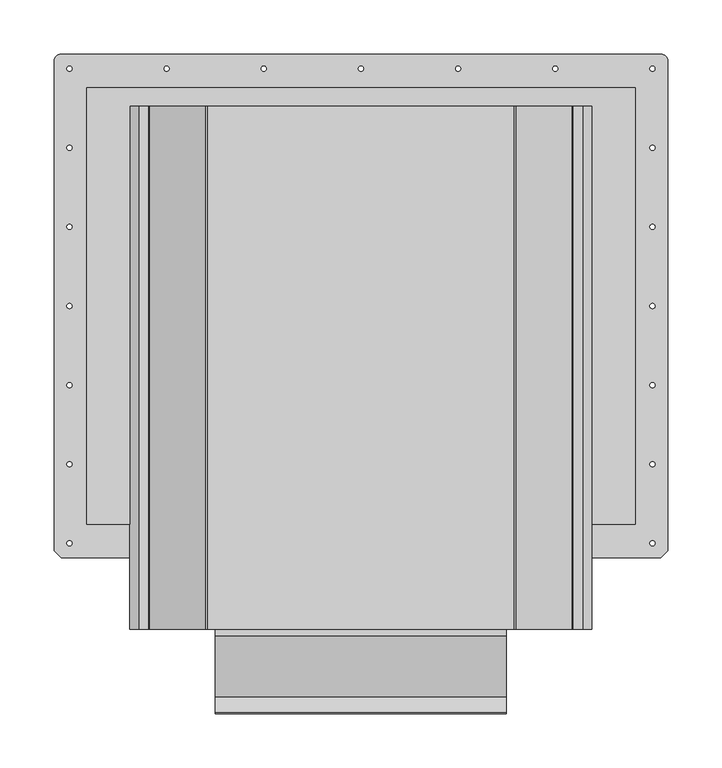
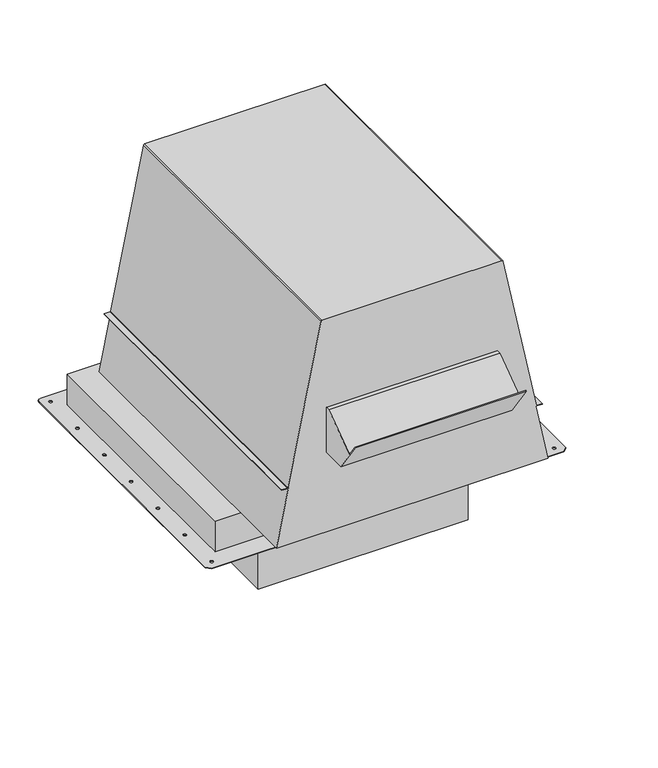
"""IFC4 building model written with IfcOpenShell, lengths in millimetres: proxy geometry."""

from ifc_helpers import new_model, si_unit, point, frame, frame_2d, origin, origin_with_axes, place, context, project, spatial, polyline, circle_curve, trimmed, segment, composite_curve, outline, extrude, source, transform, mapped, element, save
from ifc_brep_helpers import plane_surface, cylinder_surface, revolved_surface, advanced_brep


def generic_models_e109ea89(model_context):
    return source(origin(), model_context, "Body", "SolidModel", [
        extrude(outline(composite_curve([segment(trimmed(circle_curve(frame_2d((0.0, -3.7938939)), 63.5), [point((-63.5, -3.7938939))], [point((63.5, -3.7938939))], False, "CARTESIAN"), True, "CONTINUOUS"), segment(trimmed(circle_curve(frame_2d((0.0, -3.7938939)), 63.5), [point((63.5, -3.7938939))], [point((-63.5, -3.7938939))], False, "CARTESIAN"), True, "CONTINUOUS")], self_intersect=False)), frame((0.0, 0.0, -180.07965), z_axis=(0.0, 0.0, 1.0), x_axis=(1.0, 0.0, 0.0)), (0.0, 0.0, 1.0), 25.3635),
        extrude(outline(composite_curve([segment(trimmed(circle_curve(frame_2d((0.0, -3.7938939)), 101.6), [point((-101.6, -3.7938939))], [point((101.6, -3.7938939))], False, "CARTESIAN"), True, "CONTINUOUS"), segment(trimmed(circle_curve(frame_2d((0.0, -3.7938939)), 101.6), [point((101.6, -3.7938939))], [point((-101.6, -3.7938939))], False, "CARTESIAN"), True, "CONTINUOUS")], self_intersect=False)), frame((0.0, 0.0, -154.71615), z_axis=(0.0, 0.0, 1.0), x_axis=(1.0, 0.0, 0.0)), (0.0, 0.0, 1.0), 40.41615),
        extrude(outline(polyline([(-342.1695677, 183.060975), (-380.9576804, 238.4561408), (-380.2086477, 238.9806191), (-365.6935125, 218.2508576), (-309.2289427, 257.787775), (-302.7471802, 257.787775), (-302.7471802, 183.060975), (-342.1695677, 183.060975)])), frame((-134.2644, 0.0, 0.0), z_axis=(1.0, 0.0, 0.0), x_axis=(0.0, 1.0, 0.0)), (0.0, 0.0, 1.0), 268.5288),
        extrude(outline(polyline([(165.1, -169.5289427), (-165.1, -169.5289427), (-165.1, 160.6710573), (165.1, 160.6710573), (165.1, -169.5289427)])), frame((0.0, 0.0, -114.3), z_axis=(0.0, 0.0, 1.0), x_axis=(1.0, 0.0, 0.0)), (0.0, 0.0, 1.0), 114.3),
        advanced_brep(
        [(213.1852833, -302.7471802, 51.816), (194.4518487, -302.7471802, 144.6310791), (198.4375114, -302.7471802, 144.6310791), (204.7875114, -302.7471802, 144.6310791), (204.7875114, -302.7471802, 145.5454791), (195.906864, -302.7471802, 145.5454791), (195.1350285, -302.7471802, 146.1770948), (143.1632514, -302.7471802, 403.6720341), (141.4950908, -302.7471802, 405.0371391), (-141.495068, -302.7471802, 405.0371391), (-143.1632286, -302.7471802, 403.6720341), (-195.1350057, -302.7471802, 146.1770948), (-195.9068412, -302.7471802, 145.5454791), (-204.7874886, -302.7471802, 145.5454791), (-204.7874886, -302.7471802, 144.6310791), (-195.9068412, -302.7471802, 144.6310791), (-194.2386807, -302.7471802, 145.996184), (-213.1852605, -302.7471802, 51.816), (213.1852833, 179.7194698, 51.816), (-213.1852605, 179.7194698, 51.816), (-194.1787403, 179.7194698, 145.9840859), (-195.9068412, 179.7194698, 144.6310791), (-204.7874886, 179.7194698, 144.6310791), (-204.7874886, 179.7194698, 145.5454791), (-195.9068412, 179.7194698, 145.5454791), (-195.1350057, 179.7194698, 146.1770948), (-143.1632286, 179.7194698, 403.6720341), (-141.495068, 179.7194698, 405.0371391), (141.4950908, 179.7194698, 405.0371391), (143.1632514, 179.7194698, 403.6720341), (195.1350285, 179.7194698, 146.1770948), (195.906864, 179.7194698, 145.5454791), (204.7875114, 179.7194698, 145.5454791), (204.7875114, 179.7194698, 144.6310791), (198.4375114, 179.7194698, 144.6310791), (194.4518487, 179.7194698, 144.6310791)],
        [
            (0, 1),
            (1, 2),
            (2, 3),
            (3, 4),
            (4, 5),
            (5, 6, circle_curve(frame((195.906864, -302.7471802, 146.3328791), z_axis=(0.0, 1.0, 0.0), x_axis=(0.0, 0.0, -1.0)), 0.7874)),
            (6, 7),
            (7, 8, circle_curve(frame((141.4950908, -302.7471802, 403.3353391), z_axis=(0.0, -1.0, 0.0), x_axis=(0.0, 0.0, -1.0)), 1.7018)),
            (8, 9),
            (9, 10, circle_curve(frame((-141.495068, -302.7471802, 403.3353391), z_axis=(0.0, -1.0, 0.0), x_axis=(0.0, 0.0, -1.0)), 1.7018)),
            (10, 11),
            (11, 12, circle_curve(frame((-195.9068412, -302.7471802, 146.3328791), z_axis=(0.0, 1.0, 0.0), x_axis=(0.0, 0.0, -1.0)), 0.7874)),
            (12, 13),
            (13, 14),
            (14, 15),
            (15, 16, circle_curve(frame((-195.9068412, -302.7471802, 146.3328791), z_axis=(0.0, -1.0, 0.0), x_axis=(0.0, 0.0, -1.0)), 1.7018)),
            (16, 17),
            (17, 0),
            (18, 19),
            (19, 20),
            (20, 21, circle_curve(frame((-195.9068412, 179.7194698, 146.3328791), z_axis=(0.0, 1.0, 0.0), x_axis=(0.0, 0.0, -1.0)), 1.7018)),
            (21, 22),
            (22, 23),
            (23, 24),
            (24, 25, circle_curve(frame((-195.9068412, 179.7194698, 146.3328791), z_axis=(0.0, -1.0, 0.0), x_axis=(0.0, 0.0, -1.0)), 0.7874)),
            (25, 26),
            (26, 27, circle_curve(frame((-141.495068, 179.7194698, 403.3353391), z_axis=(0.0, 1.0, 0.0), x_axis=(0.0, 0.0, -1.0)), 1.7018)),
            (27, 28),
            (28, 29, circle_curve(frame((141.4950908, 179.7194698, 403.3353391), z_axis=(0.0, 1.0, 0.0), x_axis=(0.0, 0.0, -1.0)), 1.7018)),
            (29, 30),
            (30, 31, circle_curve(frame((195.906864, 179.7194698, 146.3328791), z_axis=(0.0, -1.0, 0.0), x_axis=(0.0, 0.0, -1.0)), 0.7874)),
            (31, 32),
            (32, 33),
            (33, 34),
            (34, 35),
            (35, 18),
            (0, 18),
            (35, 1),
            (34, 2),
            (33, 3),
            (32, 4),
            (31, 5),
            (30, 6),
            (29, 7),
            (28, 8),
            (27, 9),
            (26, 10),
            (25, 11),
            (24, 12),
            (23, 13),
            (22, 14),
            (21, 15),
            (20, 16),
            (19, 17),
        ],
        [
            plane_surface(frame((212.6906556, -302.7471802, 54.2666401), z_axis=(0.0, -1.0, 0.0), x_axis=(-0.19784642237270234, 0.0, 0.9802330300261883))),
            plane_surface(frame((212.6906556, 179.7194698, 54.2666401), z_axis=(0.0, 1.0, 0.0), x_axis=(0.19784642237270234, 0.0, -0.9802330300261883))),
            plane_surface(frame((213.1852833, -302.7471802, 51.816), z_axis=(0.9802330300261883, 0.0, 0.19784642237270234), x_axis=(0.0, 1.0, 0.0))),
            plane_surface(frame((194.4518487, -302.7471802, 144.6310791), z_axis=(0.0, 0.0, -1.0), x_axis=(0.0, 1.0, 0.0))),
            plane_surface(frame((198.4375114, -302.7471802, 144.6310791), z_axis=(0.0, 0.0, -1.0), x_axis=(0.0, 1.0, 0.0))),
            plane_surface(frame((204.7875114, -302.7471802, 144.6310791), z_axis=(1.0, 0.0, 0.0), x_axis=(0.0, 1.0, 0.0))),
            plane_surface(frame((204.7875114, -302.7471802, 145.5454791), z_axis=(0.0, 0.0, 1.0), x_axis=(0.0, 1.0, 0.0))),
            revolved_surface(polyline([(195.906864, 179.7194698, 145.54547910000002), (195.906864, -302.7471802, 145.54547910000002)]), (195.906864, 179.7194698, 146.3328791), (0.0, 1.0, 0.0)),
            plane_surface(frame((195.1350285, -302.7471802, 146.1770948), z_axis=(0.9802330299951215, 0.0, 0.19784642252662374), x_axis=(0.0, 1.0, 0.0))),
            cylinder_surface(frame((141.4950908, 179.7194698, 403.3353391), z_axis=(0.0, -1.0, 0.0), x_axis=(0.0, 0.0, -1.0)), 1.7018),
            plane_surface(frame((141.4950908, -302.7471802, 405.0371391), z_axis=(0.0, 0.0, 1.0), x_axis=(0.0, 1.0, 0.0))),
            cylinder_surface(frame((-141.495068, 179.7194698, 403.3353391), z_axis=(0.0, -1.0, 0.0), x_axis=(0.0, 0.0, -1.0)), 1.7018),
            plane_surface(frame((-143.1632286, -302.7471802, 403.6720341), z_axis=(-0.9802330299951224, 0.0, 0.19784642252661921), x_axis=(0.0, 1.0, 0.0))),
            revolved_surface(polyline([(-195.9068412, 179.7194698, 145.54547910000002), (-195.9068412, -302.7471802, 145.54547910000002)]), (-195.9068412, 179.7194698, 146.3328791), (0.0, 1.0, 0.0)),
            plane_surface(frame((-195.9068412, -302.7471802, 145.5454791), z_axis=(0.0, 0.0, 1.0), x_axis=(0.0, 1.0, 0.0))),
            plane_surface(frame((-204.7874886, -302.7471802, 145.5454791), z_axis=(-1.0, 0.0, 0.0), x_axis=(0.0, 1.0, 0.0))),
            plane_surface(frame((-204.7874886, -302.7471802, 144.6310791), z_axis=(0.0, 0.0, -1.0), x_axis=(0.0, 1.0, 0.0))),
            cylinder_surface(frame((-195.9068412, 179.7194698, 146.3328791), z_axis=(0.0, -1.0, 0.0), x_axis=(0.0, 0.0, -1.0)), 1.7018),
            plane_surface(frame((-194.1787403, -302.7471802, 145.9840859), z_axis=(-0.9802330299951226, 0.0, 0.1978464225266183), x_axis=(0.0, 1.0, 0.0))),
            plane_surface(frame((-213.1852605, -302.7471802, 51.816), z_axis=(0.0, 0.0, -1.0), x_axis=(0.0, 1.0, 0.0))),
        ],
        [
            (0, [[1, 2, 3, 4, 5, 6, 7, 8, 9, 10, 11, 12, 13, 14, 15, 16, 17, 18]]),
            (1, [[19, 20, 21, 22, 23, 24, 25, 26, 27, 28, 29, 30, 31, 32, 33, 34, 35, 36]]),
            (2, [[-1, 37, -36, 38]]),
            (3, [[-2, -38, -35, 39]]),
            (4, [[-3, -39, -34, 40]]),
            (5, [[-4, -40, -33, 41]]),
            (6, [[-5, -41, -32, 42]]),
            (7, [[-6, -42, -31, 43]]),
            (8, [[-7, -43, -30, 44]]),
            (9, [[-8, -44, -29, 45]]),
            (10, [[-9, -45, -28, 46]]),
            (11, [[-10, -46, -27, 47]]),
            (12, [[-11, -47, -26, 48]]),
            (13, [[-12, -48, -25, 49]]),
            (14, [[-13, -49, -24, 50]]),
            (15, [[-14, -50, -23, 51]]),
            (16, [[-15, -51, -22, 52]]),
            (17, [[-16, -52, -21, 53]]),
            (18, [[-17, -53, -20, 54]]),
            (19, [[-18, -54, -19, -37]]),
        ],
    ),
        extrude(outline(composite_curve([segment(trimmed(circle_curve(frame_2d((276.8346, 221.5548446)), 6.35), [point((276.8346, 227.9048446))], [point((283.1845873, 221.5421446))], False, "CARTESIAN"), True, "CONTINUOUS"), segment(polyline([(283.1845873, 221.5421446), (283.1845873, -230.5651427), (276.8345873, -236.9151427), (-276.8345873, -236.9151427), (-283.1845873, -230.5651427), (-283.1845873, 221.5421446)]), True, "CONTINUOUS"), segment(trimmed(circle_curve(frame_2d((-276.8346, 221.5548446)), 6.35), [point((-283.1845873, 221.5421446))], [point((-276.8346, 227.9048446))], False, "CARTESIAN"), True, "CONTINUOUS"), segment(polyline([(-276.8346, 227.9048446), (276.8346, 227.9048446)]), True, "CONTINUOUS")], self_intersect=False), holes=[polyline([(-253.3142, 196.1548573), (-253.3142, -191.9731873), (253.3142, -191.9731873), (253.3142, 196.1548573), (-253.3142, 196.1548573)]), composite_curve([segment(trimmed(circle_curve(frame_2d((-269.08125, 214.6095321)), 2.38125), [point((-271.4625, 214.6095321))], [point((-266.7, 214.6095321))], True, "CARTESIAN"), True, "CONTINUOUS"), segment(trimmed(circle_curve(frame_2d((-269.08125, 214.6095321)), 2.38125), [point((-266.7, 214.6095321))], [point((-271.4625, 214.6095321))], True, "CARTESIAN"), True, "CONTINUOUS")], self_intersect=False), composite_curve([segment(trimmed(circle_curve(frame_2d((-269.0955248, 141.5194573)), 2.38125), [point((-271.4767748, 141.5194573))], [point((-266.7142748, 141.5194573))], True, "CARTESIAN"), True, "CONTINUOUS"), segment(trimmed(circle_curve(frame_2d((-269.0955248, 141.5194573)), 2.38125), [point((-266.7142748, 141.5194573))], [point((-271.4767748, 141.5194573))], True, "CARTESIAN"), True, "CONTINUOUS")], self_intersect=False), composite_curve([segment(trimmed(circle_curve(frame_2d((-269.0955248, 68.4944573)), 2.38125), [point((-271.4767748, 68.4944573))], [point((-266.7142748, 68.4944573))], True, "CARTESIAN"), True, "CONTINUOUS"), segment(trimmed(circle_curve(frame_2d((-269.0955248, 68.4944573)), 2.38125), [point((-266.7142748, 68.4944573))], [point((-271.4767748, 68.4944573))], True, "CARTESIAN"), True, "CONTINUOUS")], self_intersect=False), composite_curve([segment(trimmed(circle_curve(frame_2d((-269.0955248, -4.5305427)), 2.38125), [point((-271.4767748, -4.5305427))], [point((-266.7142748, -4.5305427))], True, "CARTESIAN"), True, "CONTINUOUS"), segment(trimmed(circle_curve(frame_2d((-269.0955248, -4.5305427)), 2.38125), [point((-266.7142748, -4.5305427))], [point((-271.4767748, -4.5305427))], True, "CARTESIAN"), True, "CONTINUOUS")], self_intersect=False), composite_curve([segment(trimmed(circle_curve(frame_2d((-269.0955248, -77.5555427)), 2.38125), [point((-271.4767748, -77.5555427))], [point((-266.7142748, -77.5555427))], True, "CARTESIAN"), True, "CONTINUOUS"), segment(trimmed(circle_curve(frame_2d((-269.0955248, -77.5555427)), 2.38125), [point((-266.7142748, -77.5555427))], [point((-271.4767748, -77.5555427))], True, "CARTESIAN"), True, "CONTINUOUS")], self_intersect=False), composite_curve([segment(trimmed(circle_curve(frame_2d((-269.0955248, -150.5805427)), 2.38125), [point((-271.4767748, -150.5805427))], [point((-266.7142748, -150.5805427))], True, "CARTESIAN"), True, "CONTINUOUS"), segment(trimmed(circle_curve(frame_2d((-269.0955248, -150.5805427)), 2.38125), [point((-266.7142748, -150.5805427))], [point((-271.4767748, -150.5805427))], True, "CARTESIAN"), True, "CONTINUOUS")], self_intersect=False), composite_curve([segment(trimmed(circle_curve(frame_2d((-269.0955248, -223.6055427)), 2.38125), [point((-271.4767748, -223.6055427))], [point((-266.7142748, -223.6055427))], True, "CARTESIAN"), True, "CONTINUOUS"), segment(trimmed(circle_curve(frame_2d((-269.0955248, -223.6055427)), 2.38125), [point((-266.7142748, -223.6055427))], [point((-271.4767748, -223.6055427))], True, "CARTESIAN"), True, "CONTINUOUS")], self_intersect=False), composite_curve([segment(trimmed(circle_curve(frame_2d((269.0955248, -223.6055427)), 2.38125), [point((266.7142748, -223.6055427))], [point((271.4767748, -223.6055427))], True, "CARTESIAN"), True, "CONTINUOUS"), segment(trimmed(circle_curve(frame_2d((269.0955248, -223.6055427)), 2.38125), [point((271.4767748, -223.6055427))], [point((266.7142748, -223.6055427))], True, "CARTESIAN"), True, "CONTINUOUS")], self_intersect=False), composite_curve([segment(trimmed(circle_curve(frame_2d((269.0955248, -150.5805427)), 2.38125), [point((266.7142748, -150.5805427))], [point((271.4767748, -150.5805427))], True, "CARTESIAN"), True, "CONTINUOUS"), segment(trimmed(circle_curve(frame_2d((269.0955248, -150.5805427)), 2.38125), [point((271.4767748, -150.5805427))], [point((266.7142748, -150.5805427))], True, "CARTESIAN"), True, "CONTINUOUS")], self_intersect=False), composite_curve([segment(trimmed(circle_curve(frame_2d((269.0955248, -77.5555427)), 2.38125), [point((266.7142748, -77.5555427))], [point((271.4767748, -77.5555427))], True, "CARTESIAN"), True, "CONTINUOUS"), segment(trimmed(circle_curve(frame_2d((269.0955248, -77.5555427)), 2.38125), [point((271.4767748, -77.5555427))], [point((266.7142748, -77.5555427))], True, "CARTESIAN"), True, "CONTINUOUS")], self_intersect=False), composite_curve([segment(trimmed(circle_curve(frame_2d((269.0955248, -4.5305427)), 2.38125), [point((266.7142748, -4.5305427))], [point((271.4767748, -4.5305427))], True, "CARTESIAN"), True, "CONTINUOUS"), segment(trimmed(circle_curve(frame_2d((269.0955248, -4.5305427)), 2.38125), [point((271.4767748, -4.5305427))], [point((266.7142748, -4.5305427))], True, "CARTESIAN"), True, "CONTINUOUS")], self_intersect=False), composite_curve([segment(trimmed(circle_curve(frame_2d((269.0955248, 68.4944573)), 2.38125), [point((266.7142748, 68.4944573))], [point((271.4767748, 68.4944573))], True, "CARTESIAN"), True, "CONTINUOUS"), segment(trimmed(circle_curve(frame_2d((269.0955248, 68.4944573)), 2.38125), [point((271.4767748, 68.4944573))], [point((266.7142748, 68.4944573))], True, "CARTESIAN"), True, "CONTINUOUS")], self_intersect=False), composite_curve([segment(trimmed(circle_curve(frame_2d((269.0955248, 141.5194573)), 2.38125), [point((266.7142748, 141.5194573))], [point((271.4767748, 141.5194573))], True, "CARTESIAN"), True, "CONTINUOUS"), segment(trimmed(circle_curve(frame_2d((269.0955248, 141.5194573)), 2.38125), [point((271.4767748, 141.5194573))], [point((266.7142748, 141.5194573))], True, "CARTESIAN"), True, "CONTINUOUS")], self_intersect=False), composite_curve([segment(trimmed(circle_curve(frame_2d((269.08125, 214.6095321)), 2.38125), [point((266.7, 214.6095321))], [point((271.4625, 214.6095321))], True, "CARTESIAN"), True, "CONTINUOUS"), segment(trimmed(circle_curve(frame_2d((269.08125, 214.6095321)), 2.38125), [point((271.4625, 214.6095321))], [point((266.7, 214.6095321))], True, "CARTESIAN"), True, "CONTINUOUS")], self_intersect=False), composite_curve([segment(trimmed(circle_curve(frame_2d((179.3875, 214.6095321)), 2.38125), [point((177.00625, 214.6095321))], [point((181.76875, 214.6095321))], True, "CARTESIAN"), True, "CONTINUOUS"), segment(trimmed(circle_curve(frame_2d((179.3875, 214.6095321)), 2.38125), [point((181.76875, 214.6095321))], [point((177.00625, 214.6095321))], True, "CARTESIAN"), True, "CONTINUOUS")], self_intersect=False), composite_curve([segment(trimmed(circle_curve(frame_2d((89.69375, 214.6095321)), 2.38125), [point((87.3125, 214.6095321))], [point((92.075, 214.6095321))], True, "CARTESIAN"), True, "CONTINUOUS"), segment(trimmed(circle_curve(frame_2d((89.69375, 214.6095321)), 2.38125), [point((92.075, 214.6095321))], [point((87.3125, 214.6095321))], True, "CARTESIAN"), True, "CONTINUOUS")], self_intersect=False), composite_curve([segment(trimmed(circle_curve(frame_2d((0.0, 214.6095321)), 2.38125), [point((-2.38125, 214.6095321))], [point((2.38125, 214.6095321))], True, "CARTESIAN"), True, "CONTINUOUS"), segment(trimmed(circle_curve(frame_2d((0.0, 214.6095321)), 2.38125), [point((2.38125, 214.6095321))], [point((-2.38125, 214.6095321))], True, "CARTESIAN"), True, "CONTINUOUS")], self_intersect=False), composite_curve([segment(trimmed(circle_curve(frame_2d((-89.69375, 214.6095321)), 2.38125), [point((-92.075, 214.6095321))], [point((-87.3125, 214.6095321))], True, "CARTESIAN"), True, "CONTINUOUS"), segment(trimmed(circle_curve(frame_2d((-89.69375, 214.6095321)), 2.38125), [point((-87.3125, 214.6095321))], [point((-92.075, 214.6095321))], True, "CARTESIAN"), True, "CONTINUOUS")], self_intersect=False), composite_curve([segment(trimmed(circle_curve(frame_2d((-179.3875, 214.6095321)), 2.38125), [point((-181.76875, 214.6095321))], [point((-177.00625, 214.6095321))], True, "CARTESIAN"), True, "CONTINUOUS"), segment(trimmed(circle_curve(frame_2d((-179.3875, 214.6095321)), 2.38125), [point((-177.00625, 214.6095321))], [point((-181.76875, 214.6095321))], True, "CARTESIAN"), True, "CONTINUOUS")], self_intersect=False)]), origin_with_axes(), (0.0, 0.0, 1.0), 1.016),
        extrude(outline(polyline([(253.3142, 197.1200573), (253.3142, -205.9779427), (-253.3142, -205.9779427), (-253.3142, 197.1200573), (253.3142, 197.1200573)])), frame((0.0, 0.0, 1.016), z_axis=(0.0, 0.0, 1.0), x_axis=(1.0, 0.0, 0.0)), (0.0, 0.0, 1.0), 50.8),
    ])


if __name__ == "__main__":
    model = new_model("IFC4")
    model_context = context("Model", 3, world=origin())
    ifc_project = project(units=[si_unit("LENGTHUNIT", "METRE", prefix="MILLI")], contexts=[model_context])
    site = spatial("IfcSite", under=ifc_project)
    building = spatial("IfcBuilding", under=site)
    placement = place(None, origin())
    generic_models_shape = generic_models_e109ea89(model_context)
    element("IfcBuildingElementProxy", 1, Name="Generic Models", at=placement, inside=building, context=model_context, shape_type="MappedRepresentation", body=[
        mapped(generic_models_shape, transform((0.0, 0.0, 0.0), x_axis=(1.0, 0.0, 0.0), y_axis=(0.0, 1.0, 0.0), z_axis=(0.0, 0.0, 1.0))),
    ])
    save(model, "model.ifc")
